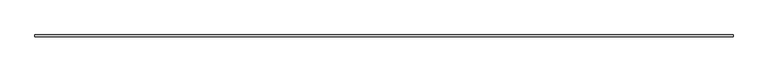
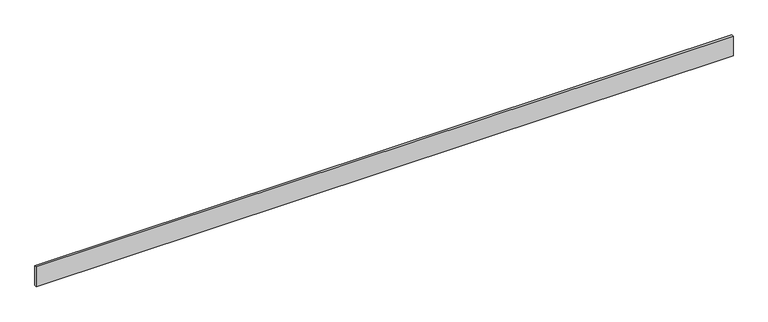
"""IFC4 building model written with IfcOpenShell, lengths in millimetres: furniture geometry."""

from ifc_helpers import new_model, si_unit, origin, origin_with_axes, place, context, project, spatial, polyline, outline, extrude, source, transform, mapped, element, save


def furniture_2a54cffd(model_context):
    return source(origin(), model_context, "Body", "SweptSolid", [
        extrude(outline(polyline([(0.0, 0.0), (0.0, 10.0), (3342.8349409, 10.0), (3342.8349409, 0.0), (0.0, 0.0)])), origin_with_axes(), (0.0, 0.0, 1.0), 100.0),
    ])


if __name__ == "__main__":
    model = new_model("IFC4")
    model_context = context("Model", 3, world=origin())
    ifc_project = project(units=[si_unit("LENGTHUNIT", "METRE", prefix="MILLI")], contexts=[model_context])
    site = spatial("IfcSite", under=ifc_project)
    building = spatial("IfcBuilding", under=site)
    placement = place(None, origin())
    furniture_shape = furniture_2a54cffd(model_context)
    element("IfcFurniture", 1, at=placement, inside=building, context=model_context, shape_type="MappedRepresentation", body=[
        mapped(furniture_shape, transform((0.0, 0.0, 0.0), x_axis=(1.0, 0.0, 0.0), y_axis=(0.0, 1.0, 0.0), z_axis=(0.0, 0.0, 1.0))),
    ])
    save(model, "model.ifc")
